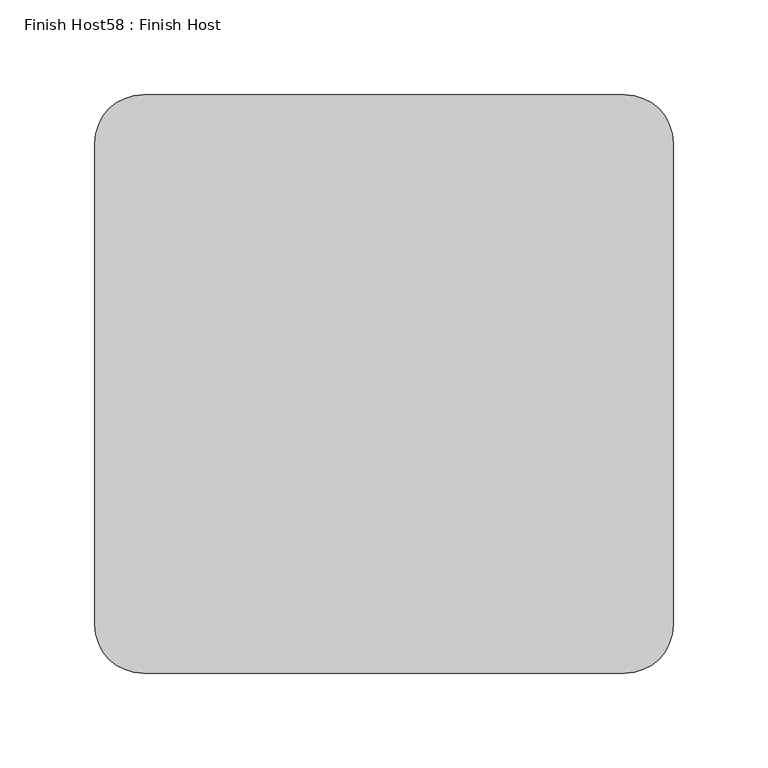
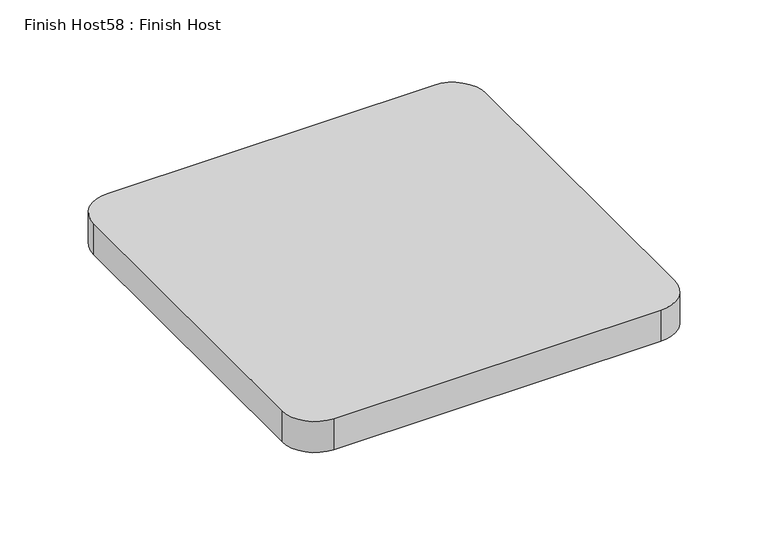
"""IFC4 building model written with IfcOpenShell, lengths in millimetres: proxy geometry, Finish Host58 : Finish Host."""

from ifc_helpers import new_model, si_unit, point, frame_2d, origin, origin_with_axes, place, context, project, spatial, polyline, circle_curve, trimmed, segment, composite_curve, outline, extrude, source, transform, mapped, element, save


def finish_host58_finish_host_a024fdb9(model_context):
    return source(origin(), model_context, "Body", "SweptSolid", [
        extrude(outline(composite_curve([segment(polyline([(3070.6934426, 546.4122951), (3070.6934426, 800.4122951)]), True, "CONTINUOUS"), segment(trimmed(circle_curve(frame_2d((3096.0934426, 800.4122951)), 25.4), [point((3070.6934426, 800.4122951))], [point((3096.0934426, 825.8122951))], False, "CARTESIAN"), True, "CONTINUOUS"), segment(polyline([(3096.0934426, 825.8122951), (3350.0934426, 825.8122951)]), True, "CONTINUOUS"), segment(trimmed(circle_curve(frame_2d((3350.0934426, 800.4122951)), 25.4), [point((3350.0934426, 825.8122951))], [point((3375.4934426, 800.4122951))], False, "CARTESIAN"), True, "CONTINUOUS"), segment(polyline([(3375.4934426, 800.4122951), (3375.4934426, 546.4122951)]), True, "CONTINUOUS"), segment(trimmed(circle_curve(frame_2d((3350.0934426, 546.4122951)), 25.4), [point((3375.4934426, 546.4122951))], [point((3350.0934426, 521.0122951))], False, "CARTESIAN"), True, "CONTINUOUS"), segment(polyline([(3350.0934426, 521.0122951), (3096.0934426, 521.0122951)]), True, "CONTINUOUS"), segment(trimmed(circle_curve(frame_2d((3096.0934426, 546.4122951)), 25.4), [point((3096.0934426, 521.0122951))], [point((3070.6934426, 546.4122951))], False, "CARTESIAN"), True, "CONTINUOUS")], self_intersect=False)), origin_with_axes(), (0.0, 0.0, 1.0), 25.4),
    ])


if __name__ == "__main__":
    model = new_model("IFC4")
    model_context = context("Model", 3, world=origin())
    ifc_project = project(units=[si_unit("LENGTHUNIT", "METRE", prefix="MILLI")], contexts=[model_context])
    site = spatial("IfcSite", under=ifc_project)
    building = spatial("IfcBuilding", under=site)
    placement = place(None, origin())
    finish_host58_finish_host_shape = finish_host58_finish_host_a024fdb9(model_context)
    element("IfcBuildingElementProxy", 1, Name="Finish Host58 : Finish Host", ObjectType="Finish Host58 : Finish Host", at=placement, inside=building, context=model_context, shape_type="MappedRepresentation", body=[
        mapped(finish_host58_finish_host_shape, transform((0.0, 0.0, 0.0), x_axis=(1.0, 0.0, 0.0), y_axis=(0.0, 1.0, 0.0), z_axis=(0.0, 0.0, 1.0))),
    ])
    save(model, "model.ifc")
